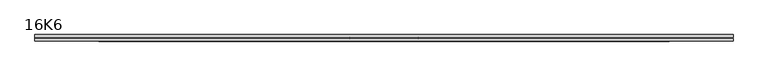
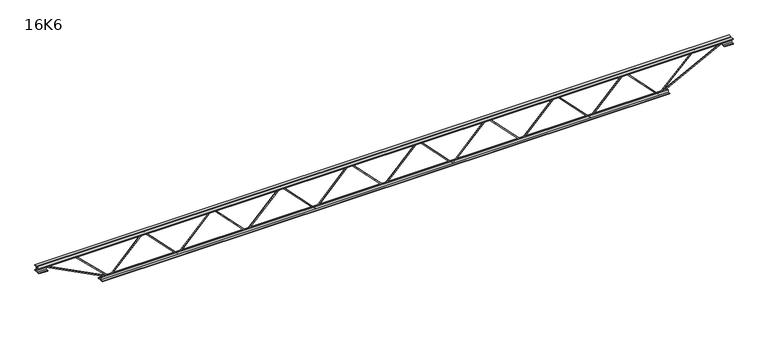
"""IFC4 building model written with IfcOpenShell, lengths in millimetres: beam geometry, 16K6."""

from ifc_helpers import new_model, si_unit, frame, origin, place, context, project, spatial, polyline, outline, extrude, source, transform, mapped, element, save


def beam_16k6_0920166a(model_context):
    return source(origin(), model_context, "Body", "SweptSolid", [
        extrude(outline(polyline([(-191.9, 1541.6071429), (-201.4, 1541.6071429), (-201.4, 1546.8015106), (191.9, 1925.7640106), (191.9, 1928.0752751), (-201.4, 2307.0377751), (-201.4, 2312.2321429), (-191.9, 2312.2321429), (-191.9, 2311.0765106), (201.4, 1932.1140106), (201.4, 1921.7252751), (-191.9, 1542.7627751), (-191.9, 1541.6071429)])), frame((0.0, -4.75, 0.0), z_axis=(0.0, 1.0, 0.0), x_axis=(0.0, 0.0, 1.0)), (0.0, 0.0, 1.0), 9.5),
        extrude(outline(polyline([(-191.9, 770.8392857), (-201.4, 770.8392857), (-201.4, 776.0336535), (191.9, 1154.9961535), (191.9, 1157.3074179), (-201.4, 1536.2699179), (-201.4, 1541.4642857), (-191.9, 1541.4642857), (-191.9, 1540.3086535), (201.4, 1161.3461535), (201.4, 1150.9574179), (-191.9, 771.9949179), (-191.9, 770.8392857)])), frame((0.0, -4.75, 0.0), z_axis=(0.0, 1.0, 0.0), x_axis=(0.0, 0.0, 1.0)), (0.0, 0.0, 1.0), 9.5),
        extrude(outline(polyline([(-191.9, 0.0714286), (-201.4, 0.0714286), (-201.4, 5.2657964), (191.9, 384.2282964), (191.9, 386.5395608), (-201.4, 765.5020608), (-201.4, 770.6964286), (-191.9, 770.6964286), (-191.9, 769.5407964), (201.4, 390.5782964), (201.4, 380.1895608), (-191.9, 1.2270608), (-191.9, 0.0714286)])), frame((0.0, -4.75, 0.0), z_axis=(0.0, 1.0, 0.0), x_axis=(0.0, 0.0, 1.0)), (0.0, 0.0, 1.0), 9.5),
        extrude(outline(polyline([(-191.9, -770.6964286), (-201.4, -770.6964286), (-201.4, -765.5020608), (191.9, -386.5395608), (191.9, -384.2282964), (-201.4, -5.2657964), (-201.4, -0.0714286), (-191.9, -0.0714286), (-191.9, -1.2270608), (201.4, -380.1895608), (201.4, -390.5782964), (-191.9, -769.5407964), (-191.9, -770.6964286)])), frame((0.0, -4.75, 0.0), z_axis=(0.0, 1.0, 0.0), x_axis=(0.0, 0.0, 1.0)), (0.0, 0.0, 1.0), 9.5),
        extrude(outline(polyline([(-191.9, -1541.4642857), (-201.4, -1541.4642857), (-201.4, -1536.2699179), (191.9, -1157.3074179), (191.9, -1154.9961535), (-201.4, -776.0336535), (-201.4, -770.8392857), (-191.9, -770.8392857), (-191.9, -771.9949179), (201.4, -1150.9574179), (201.4, -1161.3461535), (-191.9, -1540.3086535), (-191.9, -1541.4642857)])), frame((0.0, -4.75, 0.0), z_axis=(0.0, 1.0, 0.0), x_axis=(0.0, 0.0, 1.0)), (0.0, 0.0, 1.0), 9.5),
        extrude(outline(polyline([(-191.9, -2312.2321429), (-201.4, -2312.2321429), (-201.4, -2307.0377751), (191.9, -1928.0752751), (191.9, -1925.7640106), (-201.4, -1546.8015106), (-201.4, -1541.6071429), (-191.9, -1541.6071429), (-191.9, -1542.7627751), (201.4, -1921.7252751), (201.4, -1932.1140106), (-191.9, -2311.0765106), (-191.9, -2312.2321429)])), frame((0.0, -4.75, 0.0), z_axis=(0.0, 1.0, 0.0), x_axis=(0.0, 0.0, 1.0)), (0.0, 0.0, 1.0), 9.5),
        extrude(outline(polyline([(-191.9, 2312.375), (-201.4, 2312.375), (-201.4, 2317.5693678), (191.9, 2696.5318678), (191.9, 2698.8431322), (-201.4, 3077.8056322), (-201.4, 3083.0), (-191.9, 3083.0), (-191.9, 3081.8443678), (201.4, 2702.8818678), (201.4, 2692.4931322), (-191.9, 2313.5306322), (-191.9, 2312.375)])), frame((0.0, -4.75, 0.0), z_axis=(0.0, 1.0, 0.0), x_axis=(0.0, 0.0, 1.0)), (0.0, 0.0, 1.0), 9.5),
        extrude(outline(polyline([(-191.9, -3083.0), (-201.4, -3083.0), (-201.4, -3077.8056322), (191.9, -2698.8431322), (191.9, -2696.5318678), (-201.4, -2317.5693678), (-201.4, -2312.375), (-191.9, -2312.375), (-191.9, -2313.5306322), (201.4, -2692.4931322), (201.4, -2702.8818678), (-191.9, -3081.8443678), (-191.9, -3083.0)])), frame((0.0, -4.75, 0.0), z_axis=(0.0, 1.0, 0.0), x_axis=(0.0, 0.0, 1.0)), (0.0, 0.0, 1.0), 9.5),
        extrude(outline(polyline([(4.75, 203.0), (36.75, 203.0), (36.75, 196.5), (11.25, 196.5), (11.25, 171.0), (4.75, 171.0), (4.75, 203.0)])), frame((-3895.0, 0.0, 0.0), z_axis=(1.0, 0.0, 0.0), x_axis=(0.0, 1.0, 0.0)), (0.0, 0.0, 1.0), 7790.0),
        extrude(outline(polyline([(-4.75, 203.0), (-4.75, 171.0), (-11.25, 171.0), (-11.25, 196.5), (-36.75, 196.5), (-36.75, 203.0), (-4.75, 203.0)])), frame((-3895.0, 0.0, 0.0), z_axis=(1.0, 0.0, 0.0), x_axis=(0.0, 1.0, 0.0)), (0.0, 0.0, 1.0), 7790.0),
        extrude(outline(polyline([(-4.75, 139.5), (-36.75, 139.5), (-36.75, 146.0), (-11.25, 146.0), (-11.25, 171.0), (-4.75, 171.0), (-4.75, 139.5)])), frame((-3895.0, 0.0, 0.0), z_axis=(1.0, 0.0, 0.0), x_axis=(0.0, 1.0, 0.0)), (0.0, 0.0, 1.0), 100.0),
        extrude(outline(polyline([(36.75, 139.5), (4.75, 139.5), (4.75, 171.0), (11.25, 171.0), (11.25, 146.0), (36.75, 146.0), (36.75, 139.5)])), frame((-3895.0, 0.0, 0.0), z_axis=(1.0, 0.0, 0.0), x_axis=(0.0, 1.0, 0.0)), (0.0, 0.0, 1.0), 100.0),
        extrude(outline(polyline([(4.75, 139.5), (4.75, 171.0), (11.25, 171.0), (11.25, 146.0), (36.75, 146.0), (36.75, 139.5), (4.75, 139.5)])), frame((3795.0, 0.0, 0.0), z_axis=(1.0, 0.0, 0.0), x_axis=(0.0, 1.0, 0.0)), (0.0, 0.0, 1.0), 100.0),
        extrude(outline(polyline([(-4.75, 139.5), (-36.75, 139.5), (-36.75, 146.0), (-11.25, 146.0), (-11.25, 171.0), (-4.75, 171.0), (-4.75, 139.5)])), frame((3795.0, 0.0, 0.0), z_axis=(1.0, 0.0, 0.0), x_axis=(0.0, 1.0, 0.0)), (0.0, 0.0, 1.0), 100.0),
        extrude(outline(polyline([(4.75, -203.0), (4.75, -171.0), (11.25, -171.0), (11.25, -196.5), (36.75, -196.5), (36.75, -203.0), (4.75, -203.0)])), frame((-3183.0, 0.0, 0.0), z_axis=(1.0, 0.0, 0.0), x_axis=(0.0, 1.0, 0.0)), (0.0, 0.0, 1.0), 6366.0),
        extrude(outline(polyline([(-4.75, -203.0), (-36.75, -203.0), (-36.75, -196.5), (-11.25, -196.5), (-11.25, -171.0), (-4.75, -171.0), (-4.75, -203.0)])), frame((-3183.0, 0.0, 0.0), z_axis=(1.0, 0.0, 0.0), x_axis=(0.0, 1.0, 0.0)), (0.0, 0.0, 1.0), 6366.0),
        extrude(outline(polyline([(-200.8705467, -3085.1793315), (-192.4294533, -3080.8206685), (175.75, -3793.8460208), (175.75, -3895.0), (166.25, -3895.0), (166.25, -3796.1539792), (-200.8705467, -3085.1793315)])), frame((0.0, -4.75, 0.0), z_axis=(0.0, 1.0, 0.0), x_axis=(0.0, 0.0, 1.0)), (0.0, 0.0, 1.0), 9.5),
        extrude(outline(polyline([(188.7, -3488.2696429), (179.2, -3488.2696429), (179.2, -3477.4942211), (-200.0603464, -3086.3063632), (-193.2396536, -3079.6936368), (188.7, -3473.6450646), (188.7, -3488.2696429)])), frame((0.0, -4.75, 0.0), z_axis=(0.0, 1.0, 0.0), x_axis=(0.0, 0.0, 1.0)), (0.0, 0.0, 1.0), 9.5),
        extrude(outline(polyline([(0.0, -9.5), (0.0, 0.0), (801.3179909, 0.0), (801.3179909, -9.5), (0.0, -9.5)])), frame((3797.1793315, -4.75, 166.7794533), z_axis=(-0.4588066213244953, 0.0, 0.8885361468329813), x_axis=(-0.8885361468329813, 0.0, -0.4588066213244953)), (0.0, 0.0, 1.0), 9.5),
        extrude(outline(polyline([(0.0, -9.5), (0.0, 0.0), (560.8443176, 0.0), (560.8443176, -9.5), (0.0, -9.5)])), frame((3486.1577903, -4.75, 193.2637176), z_axis=(-0.7012641256475803, 0.0, 0.7129015542694059), x_axis=(-0.7129015542694059, 0.0, -0.7012641256475803)), (0.0, 0.0, 1.0), 9.5),
    ])


if __name__ == "__main__":
    model = new_model("IFC4")
    model_context = context("Model", 3, world=origin())
    ifc_project = project(units=[si_unit("LENGTHUNIT", "METRE", prefix="MILLI")], contexts=[model_context])
    site = spatial("IfcSite", under=ifc_project)
    building = spatial("IfcBuilding", under=site)
    placement = place(None, origin())
    beam_16k6_shape = beam_16k6_0920166a(model_context)
    element("IfcBeam", 1, ObjectType="16K6", at=placement, inside=building, context=model_context, shape_type="MappedRepresentation", body=[
        mapped(beam_16k6_shape, transform((0.0, 0.0, 0.0), x_axis=(1.0, 0.0, 0.0), y_axis=(0.0, 1.0, 0.0), z_axis=(0.0, 0.0, 1.0))),
    ])
    save(model, "model.ifc")
